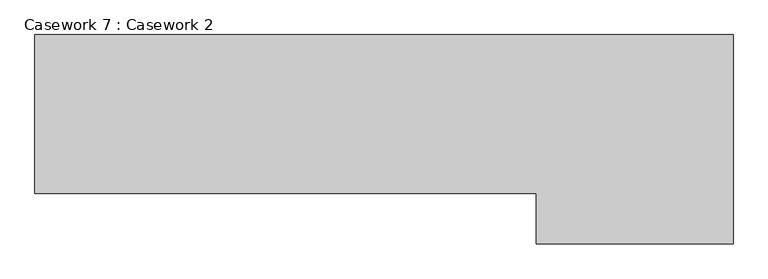
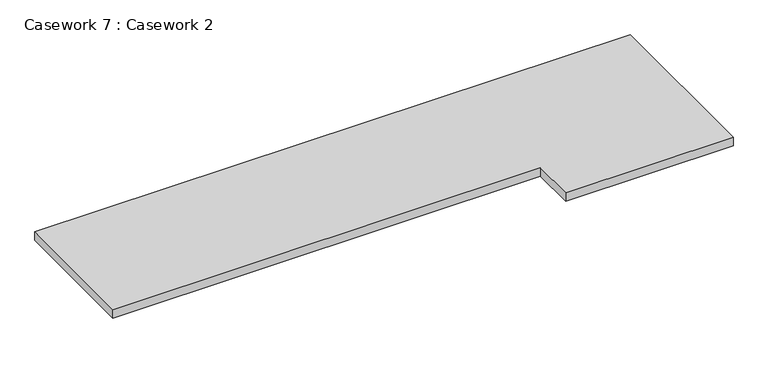
"""IFC4 building model written with IfcOpenShell, lengths in millimetres: furniture geometry, Casework 7 : Casework 2."""

from ifc_helpers import new_model, si_unit, frame, origin, place, context, project, spatial, polyline, outline, extrude, source, transform, mapped, element, save


def casework_7_casework_2_64ace556(model_context):
    return source(origin(), model_context, "Body", "SweptSolid", [
        extrude(outline(polyline([(21571.6270643, -14294.4681009), (21571.6270643, -15191.6370868), (20729.5173459, -15191.6370868), (20729.5173459, -14973.7481321), (18581.286124, -14973.7481321), (18581.286124, -14294.4681009), (21571.6270643, -14294.4681009)])), frame((0.0, 0.0, 873.5585791), z_axis=(0.0, 0.0, 1.0), x_axis=(1.0, 0.0, 0.0)), (0.0, 0.0, 1.0), 45.188958),
    ])


if __name__ == "__main__":
    model = new_model("IFC4")
    model_context = context("Model", 3, world=origin())
    ifc_project = project(units=[si_unit("LENGTHUNIT", "METRE", prefix="MILLI")], contexts=[model_context])
    site = spatial("IfcSite", under=ifc_project)
    building = spatial("IfcBuilding", under=site)
    placement = place(None, origin())
    casework_7_casework_2_shape = casework_7_casework_2_64ace556(model_context)
    element("IfcFurniture", 1, ObjectType="Casework 7 : Casework 2", at=placement, inside=building, context=model_context, shape_type="MappedRepresentation", body=[
        mapped(casework_7_casework_2_shape, transform((0.0, 0.0, 0.0), x_axis=(1.0, 0.0, 0.0), y_axis=(0.0, 1.0, 0.0), z_axis=(0.0, 0.0, 1.0))),
    ])
    save(model, "model.ifc")
